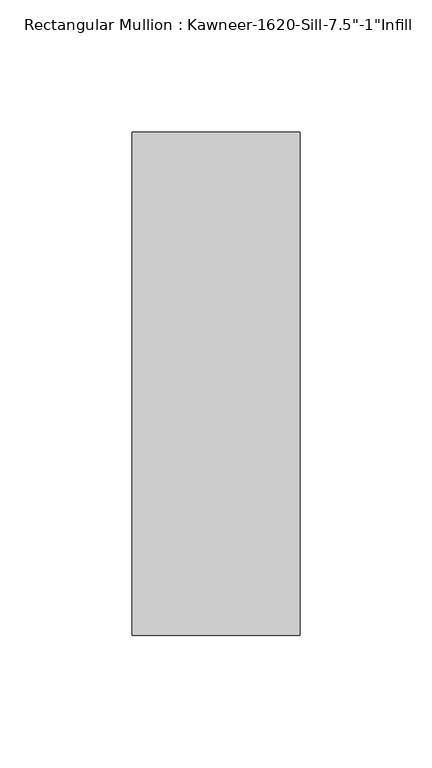
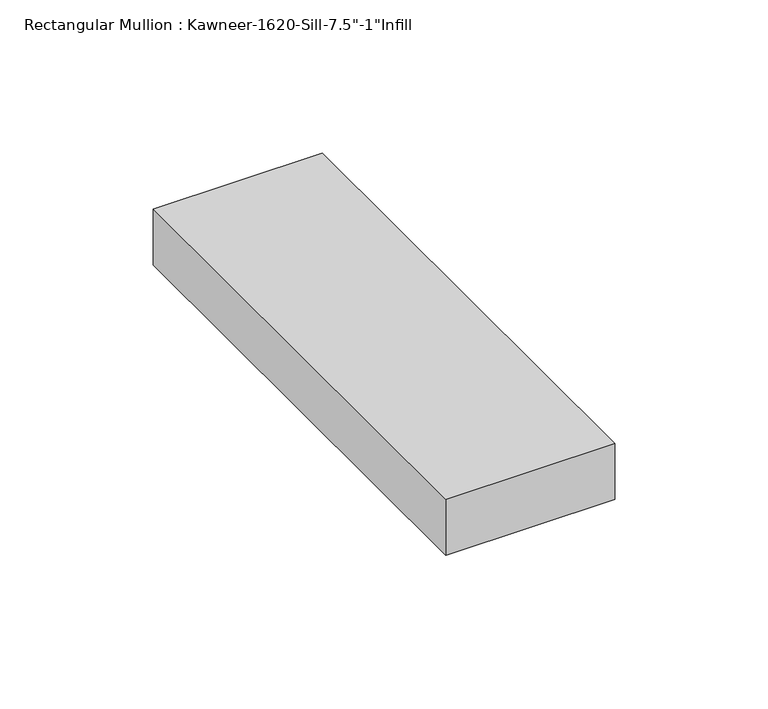
"""IFC4 building model written with IfcOpenShell, lengths in millimetres: member geometry."""

from ifc_helpers import new_model, si_unit, frame, origin, place, context, project, spatial, polyline, outline, extrude, source, transform, mapped, element, save


def member_40f82bbd(model_context):
    return source(origin(), model_context, "Body", "SweptSolid", [
        extrude(outline(polyline([(-63.5, 38.1), (0.0, 38.1), (0.0, -152.4), (-63.5, -152.4), (-63.5, 38.1)])), frame((0.0, 0.0, -22.225), z_axis=(0.0, 0.0, 1.0), x_axis=(1.0, 0.0, 0.0)), (0.0, 0.0, 1.0), 22.225),
    ])


if __name__ == "__main__":
    model = new_model("IFC4")
    model_context = context("Model", 3, world=origin())
    ifc_project = project(units=[si_unit("LENGTHUNIT", "METRE", prefix="MILLI")], contexts=[model_context])
    site = spatial("IfcSite", under=ifc_project)
    building = spatial("IfcBuilding", under=site)
    placement = place(None, origin())
    member_shape = member_40f82bbd(model_context)
    element("IfcMember", 1, ObjectType="Rectangular Mullion : Kawneer-1620-Sill-7.5\"-1\"Infill", at=placement, inside=building, context=model_context, shape_type="MappedRepresentation", body=[
        mapped(member_shape, transform((0.0, 0.0, 0.0), x_axis=(1.0, 0.0, 0.0), y_axis=(0.0, 1.0, 0.0), z_axis=(0.0, 0.0, 1.0))),
    ])
    save(model, "model.ifc")
